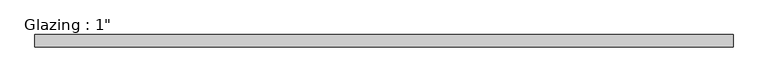
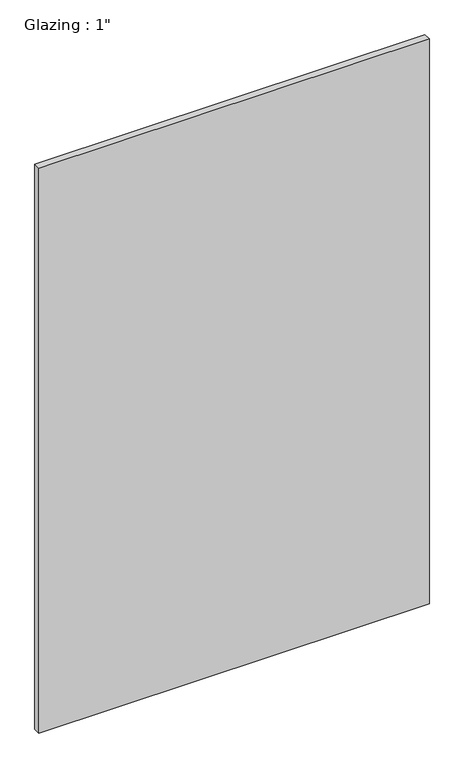
"""IFC4 building model written with IfcOpenShell, lengths in millimetres: plate geometry."""

from ifc_helpers import new_model, si_unit, origin, origin_with_axes, place, context, project, spatial, polyline, outline, extrude, source, transform, mapped, element, save


def plate_1da8dadd(model_context):
    return source(origin(), model_context, "Body", "SweptSolid", [
        extrude(outline(polyline([(712.2465169, 12.7), (712.2465169, -12.7), (-712.2465169, -12.7), (-712.2465169, 12.7), (712.2465169, 12.7)])), origin_with_axes(), (0.0, 0.0, 1.0), 2177.9424222),
    ])


if __name__ == "__main__":
    model = new_model("IFC4")
    model_context = context("Model", 3, world=origin())
    ifc_project = project(units=[si_unit("LENGTHUNIT", "METRE", prefix="MILLI")], contexts=[model_context])
    site = spatial("IfcSite", under=ifc_project)
    building = spatial("IfcBuilding", under=site)
    placement = place(None, origin())
    plate_shape = plate_1da8dadd(model_context)
    element("IfcPlate", 1, ObjectType="Glazing : 1\"", at=placement, inside=building, context=model_context, shape_type="MappedRepresentation", body=[
        mapped(plate_shape, transform((0.0, 0.0, 0.0), x_axis=(1.0, 0.0, 0.0), y_axis=(0.0, 1.0, 0.0), z_axis=(0.0, 0.0, 1.0))),
    ])
    save(model, "model.ifc")
